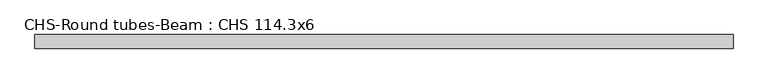
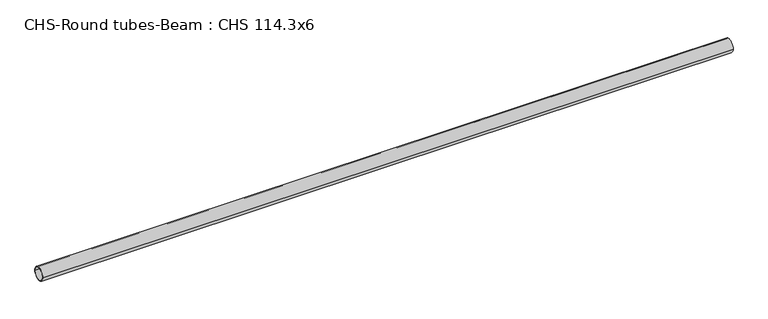
"""IFC4 building model written with IfcOpenShell, lengths in millimetres: beam geometry, CHS-Round tubes-Beam : CHS 114.3x6."""

from ifc_helpers import new_model, si_unit, point, frame, origin, origin_2d, place, context, project, spatial, circle_curve, trimmed, segment, composite_curve, outline, extrude, source, transform, mapped, element, save


def chs_round_tubes_beam_chs_114_3x6_25cfc087(model_context):
    return source(origin(), model_context, "Body", "SweptSolid", [
        extrude(outline(composite_curve([segment(trimmed(circle_curve(origin_2d(), 57.15), [point((57.15, 0.0))], [point((-57.15, 0.0))], False, "CARTESIAN"), True, "CONTINUOUS"), segment(trimmed(circle_curve(origin_2d(), 57.15), [point((-57.15, 0.0))], [point((57.15, 0.0))], False, "CARTESIAN"), True, "CONTINUOUS")], self_intersect=False), holes=[composite_curve([segment(trimmed(circle_curve(origin_2d(), 51.15), [point((51.15, 0.0))], [point((-51.15, 0.0))], True, "CARTESIAN"), True, "CONTINUOUS"), segment(trimmed(circle_curve(origin_2d(), 51.15), [point((-51.15, 0.0))], [point((51.15, 0.0))], True, "CARTESIAN"), True, "CONTINUOUS")], self_intersect=False)]), frame((-3169.9662528, 0.0, 0.0), z_axis=(1.0, 0.0, 0.0), x_axis=(0.0, 1.0, 0.0)), (0.0, 0.0, 1.0), 5842.8617591),
    ])


if __name__ == "__main__":
    model = new_model("IFC4")
    model_context = context("Model", 3, world=origin())
    ifc_project = project(units=[si_unit("LENGTHUNIT", "METRE", prefix="MILLI")], contexts=[model_context])
    site = spatial("IfcSite", under=ifc_project)
    building = spatial("IfcBuilding", under=site)
    placement = place(None, origin())
    chs_round_tubes_beam_chs_114_3x6_shape = chs_round_tubes_beam_chs_114_3x6_25cfc087(model_context)
    element("IfcBeam", 1, ObjectType="CHS-Round tubes-Beam : CHS 114.3x6", at=placement, inside=building, context=model_context, shape_type="MappedRepresentation", body=[
        mapped(chs_round_tubes_beam_chs_114_3x6_shape, transform((0.0, 0.0, 0.0), x_axis=(1.0, 0.0, 0.0), y_axis=(0.0, 1.0, 0.0), z_axis=(0.0, 0.0, 1.0))),
    ])
    save(model, "model.ifc")
